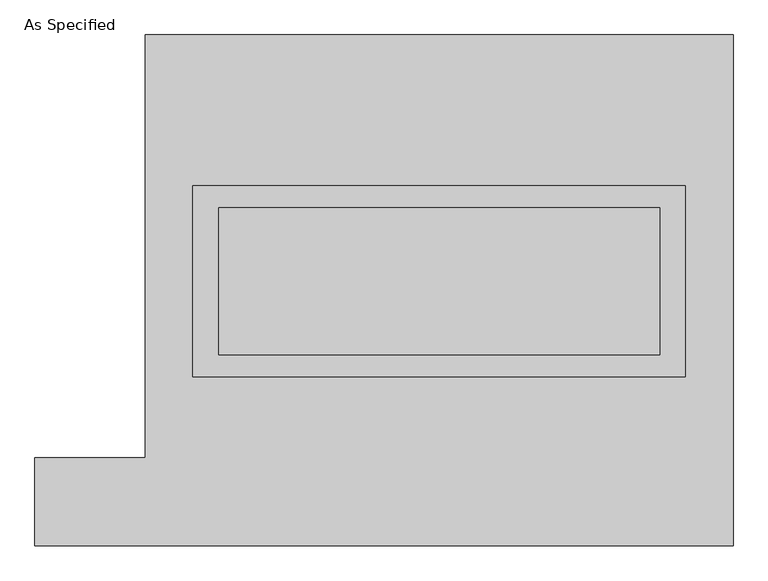
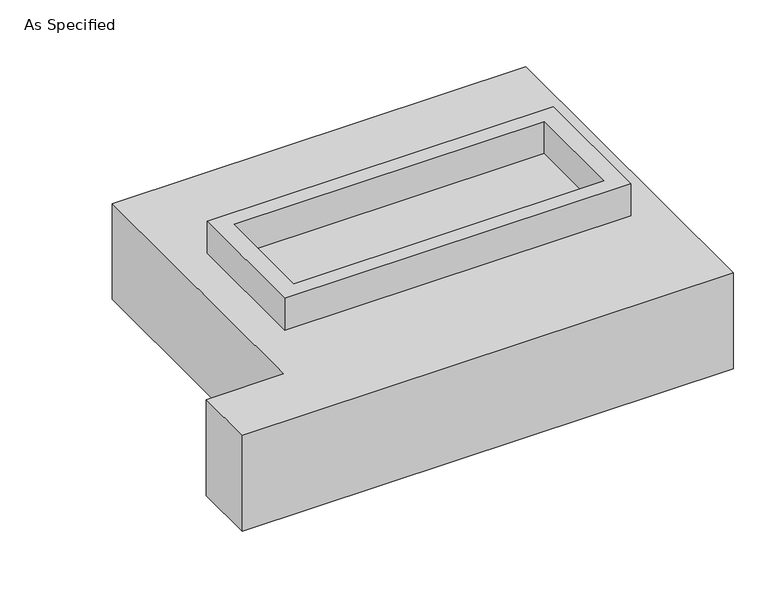
"""IFC4 building model written with IfcOpenShell, lengths in millimetres: proxy geometry, As Specified."""

import ifcopenshell
import ifcopenshell.guid

model = None  # the IFC model being written
_history = None  # IfcOwnerHistory: only IFC2X3 demands one
_inside = {}  # id of a spatial element -> (the spatial element, [elements in it])
_under = {}  # id of a project, library or spatial element -> (it, [spatial elements below it])
_declared = {}  # id of a project -> (the project, [libraries it declares])
_typed = {}  # id of a type object -> (the type object, [elements of that type])
_made_of = {}  # id of a material, layer set ... -> (it, [elements and type objects made of it])


def new_model(schema):
    """Start an empty IFC model of exactly this schema.

    Asked for "IFC4X3", IfcOpenShell would pick the latest addendum, in which some entities
    have other attributes; the version numbers below select the first issue.
    IFC2X3 requires an IfcOwnerHistory on every rooted entity: one is made here for all.
    """
    global model, _history
    if schema == "IFC4X3":
        model = ifcopenshell.file(schema_version=(4, 3, 0, 0))
    else:
        model = ifcopenshell.file(schema=schema)
    _inside.clear()
    _under.clear()
    _declared.clear()
    _typed.clear()
    _made_of.clear()
    _history = None
    if model.schema == "IFC2X3":
        org = make("IfcOrganization", Name="unknown")
        user = make(
            "IfcPersonAndOrganization",
            ThePerson=make("IfcPerson", FamilyName="unknown"),
            TheOrganization=org,
        )
        app = make(
            "IfcApplication",
            ApplicationDeveloper=org,
            Version="unknown",
            ApplicationFullName="unknown",
            ApplicationIdentifier="unknown",
        )
        _history = make(
            "IfcOwnerHistory",
            OwningUser=user,
            OwningApplication=app,
            ChangeAction="ADDED",
            CreationDate=0,
        )
    return model


def make(cls, **values):
    """One entity of the class cls with the attributes given. An attribute that is None is left unset."""
    return model.create_entity(
        cls, **{name: value for name, value in values.items() if value is not None}
    )


def rooted(cls, **values):
    """An entity with a GlobalId (a new one), such as an element, a storey or a relation."""
    return make(cls, GlobalId=ifcopenshell.guid.new(), OwnerHistory=_history, **values)


def si_unit(unit_type, name, prefix=None):
    """IfcSIUnit, for example si_unit("LENGTHUNIT", "METRE", prefix="MILLI")."""
    return make("IfcSIUnit", UnitType=unit_type, Prefix=prefix, Name=name)


def assignment(units):
    """IfcUnitAssignment: the units of a project."""
    return None if units is None else make("IfcUnitAssignment", Units=units)


def point(xyz):
    """IfcCartesianPoint."""
    return None if xyz is None else make("IfcCartesianPoint", Coordinates=xyz)


def direction(xyz):
    """IfcDirection."""
    return None if xyz is None else make("IfcDirection", DirectionRatios=xyz)


def frame(location, z_axis=None, x_axis=None):
    """IfcAxis2Placement3D, a coordinate frame: its origin and axes. An axis left out is left unset."""
    return make(
        "IfcAxis2Placement3D",
        Location=point(location),
        Axis=direction(z_axis),
        RefDirection=direction(x_axis),
    )


def origin():
    """The frame at (0, 0, 0) with its axes left unset."""
    return frame((0.0, 0.0, 0.0))


def place(relative_to, where):
    """IfcLocalPlacement: puts the frame where relative to a parent placement (None: the world)."""
    return make(
        "IfcLocalPlacement", PlacementRelTo=relative_to, RelativePlacement=where
    )


def context(
    kind, dimensions, precision=None, world=None, true_north=None, identifier=None
):
    """IfcGeometricRepresentationContext, for example the 3D "Model" context."""
    return make(
        "IfcGeometricRepresentationContext",
        ContextIdentifier=identifier,
        ContextType=kind,
        CoordinateSpaceDimension=dimensions,
        Precision=precision,
        WorldCoordinateSystem=world,
        TrueNorth=true_north,
    )


def project(units=None, contexts=None):
    """IfcProject with its units and contexts."""
    return rooted(
        "IfcProject",
        Name="project",
        RepresentationContexts=contexts,
        UnitsInContext=assignment(units),
    )


def spatial(cls, under=None, at=None, **own):
    """A site, building, storey or space (cls), placed at a placement, below another one or the project."""
    s = rooted(cls, ObjectPlacement=at, **own)
    if under is not None:
        _under.setdefault(under.id(), (under, []))[1].append(s)
    return s


def polyline(points):
    """IfcPolyline through the points."""
    return make("IfcPolyline", Points=[point(p) for p in points])


def outline(outer, holes=None, kind="AREA"):
    """IfcArbitraryClosedProfileDef: a profile drawn as a closed curve; with holes, ...WithVoids."""
    if holes is None:
        return make("IfcArbitraryClosedProfileDef", ProfileType=kind, OuterCurve=outer)
    return make(
        "IfcArbitraryProfileDefWithVoids",
        ProfileType=kind,
        OuterCurve=outer,
        InnerCurves=holes,
    )


def extrude(swept, where, along, depth):
    """IfcExtrudedAreaSolid: the profile swept, set in the frame where, extruded along a direction by depth."""
    return make(
        "IfcExtrudedAreaSolid",
        SweptArea=swept,
        Position=where,
        ExtrudedDirection=direction(along),
        Depth=depth,
    )


def shape(context_of_items, identifier, shape_type, items):
    """IfcShapeRepresentation: the items that make up one representation, for example the "Body"."""
    return make(
        "IfcShapeRepresentation",
        ContextOfItems=context_of_items,
        RepresentationIdentifier=identifier,
        RepresentationType=shape_type,
        Items=items,
    )


def source(mapping_origin, context_of_items, identifier, shape_type, items):
    """IfcRepresentationMap: a shape defined once, which mapped items show again and again."""
    return make(
        "IfcRepresentationMap",
        MappingOrigin=mapping_origin,
        MappedRepresentation=shape(context_of_items, identifier, shape_type, items),
    )


def transform(
    local_origin,
    x_axis=None,
    y_axis=None,
    z_axis=None,
    scale=None,
    scale2=None,
    scale3=None,
    uniform=True,
):
    """IfcCartesianTransformationOperator3D, or its non-uniform kind. x_axis, y_axis, z_axis: its Axis1, 2, 3."""
    if uniform:
        return make(
            "IfcCartesianTransformationOperator3D",
            Axis1=direction(x_axis),
            Axis2=direction(y_axis),
            LocalOrigin=point(local_origin),
            Scale=scale,
            Axis3=direction(z_axis),
        )
    return make(
        "IfcCartesianTransformationOperator3DnonUniform",
        Axis1=direction(x_axis),
        Axis2=direction(y_axis),
        LocalOrigin=point(local_origin),
        Scale=scale,
        Axis3=direction(z_axis),
        Scale2=scale2,
        Scale3=scale3,
    )


def mapped(mapping_source, mapping_target):
    """IfcMappedItem: shows the shape of a source again, moved by a transform."""
    return make(
        "IfcMappedItem", MappingSource=mapping_source, MappingTarget=mapping_target
    )


def made_of(thing, what):
    """Note that an element or type object is made of a material, layer set ...; save() writes the relation."""
    if what is not None:
        _made_of.setdefault(what.id(), (what, []))[1].append(thing)
    return thing


def element(
    cls,
    number,
    at=None,
    inside=None,
    cuts=None,
    type_object=None,
    material=None,
    context=None,
    identifier="Body",
    shape_type=None,
    held_by="IfcProductDefinitionShape",
    body=None,
    shapes=None,
    **own,
):
    """One element of the class cls, such as IfcWall. Its Tag is "e" and its number.

    at: its placement. inside: the storey or other place that contains it. cuts: it is an
    opening in that element (IfcRelVoidsElement). A single representation is given by context,
    identifier, shape_type and body (its items); several are given by shapes. held_by: the class
    of the entity that holds the representations. save() writes the other relations.
    """
    e = rooted(cls, Tag="e%d" % number, ObjectPlacement=at, **own)
    if body is not None:
        shapes = [shape(context, identifier, shape_type, body)]
    if shapes is not None:
        e.Representation = make(held_by, Representations=shapes)
    if inside is not None:
        _inside.setdefault(inside.id(), (inside, []))[1].append(e)
    if cuts is not None:
        rooted(
            "IfcRelVoidsElement", RelatingBuildingElement=cuts, RelatedOpeningElement=e
        )
    if type_object is not None:
        _typed.setdefault(type_object.id(), (type_object, []))[1].append(e)
    return made_of(e, material)


def aggregate(whole, parts):
    """IfcRelAggregates: a whole, such as a stair, and the parts it consists of."""
    return rooted("IfcRelAggregates", RelatingObject=whole, RelatedObjects=parts)


def save(model, path):
    """Write the relations noted so far, then the file.

    IfcRelAggregates (storeys below a building ...), IfcRelContainedInSpatialStructure (elements
    in a storey), IfcRelDefinesByType, IfcRelAssociatesMaterial and IfcRelDeclares: one each for
    every whole, place, type object, material and project.
    """
    for whole, parts in _under.values():
        aggregate(whole, parts)
    for where, things in _inside.values():
        rooted(
            "IfcRelContainedInSpatialStructure",
            RelatedElements=things,
            RelatingStructure=where,
        )
    for kind, things in _typed.values():
        rooted("IfcRelDefinesByType", RelatedObjects=things, RelatingType=kind)
    for what, things in _made_of.values():
        rooted("IfcRelAssociatesMaterial", RelatedObjects=things, RelatingMaterial=what)
    for by, libraries in _declared.values():
        rooted("IfcRelDeclares", RelatingContext=by, RelatedDefinitions=libraries)
    model.write(path)


def as_specified_28267a69(model_context):
    return source(origin(), model_context, "Body", "SweptSolid", [
        extrude(outline(polyline([(850.9, 361.95), (850.9, -298.45), (-850.9, -298.45), (-850.9, 361.95), (850.9, 361.95)]), holes=[polyline([(762.0, 285.75), (-762.0, 285.75), (-762.0, -222.25), (762.0, -222.25), (762.0, 285.75)])]), frame((0.0, 0.0, -688.975), z_axis=(0.0, 0.0, 1.0), x_axis=(1.0, 0.0, 0.0)), (0.0, 0.0, 1.0), 165.1),
        extrude(outline(polyline([(850.9, 361.95), (850.9, -298.45), (-850.9, -298.45), (-850.9, 361.95), (850.9, 361.95)]), holes=[polyline([(762.0, 285.75), (-762.0, 285.75), (-762.0, -222.25), (762.0, -222.25), (762.0, 285.75)])]), frame((0.0, 0.0, -25.4), z_axis=(0.0, 0.0, 1.0), x_axis=(1.0, 0.0, 0.0)), (0.0, 0.0, 1.0), 165.1),
        extrude(outline(polyline([(762.0, 285.75), (762.0, -222.25), (-762.0, -222.25), (-762.0, 285.75), (762.0, 285.75)])), frame((0.0, 0.0, -523.875), z_axis=(0.0, 0.0, 1.0), x_axis=(1.0, 0.0, 0.0)), (0.0, 0.0, 1.0), 4.9609375),
        extrude(outline(polyline([(762.0, 285.75), (762.0, -222.25), (-762.0, -222.25), (-762.0, 285.75), (762.0, 285.75)])), frame((0.0, 0.0, -30.3609375), z_axis=(0.0, 0.0, 1.0), x_axis=(1.0, 0.0, 0.0)), (0.0, 0.0, 1.0), 4.9609375),
        extrude(outline(polyline([(-1016.0, 882.65), (1016.0, 882.65), (1016.0, -882.65), (-1397.0, -882.65), (-1397.0, -577.85), (-1016.0, -577.85), (-1016.0, 882.65)]), holes=[polyline([(-850.9, 361.95), (-850.9, -298.45), (850.9, -298.45), (850.9, 361.95), (-850.9, 361.95)])]), frame((0.0, 0.0, -523.875), z_axis=(0.0, 0.0, 1.0), x_axis=(1.0, 0.0, 0.0)), (0.0, 0.0, 1.0), 498.475),
    ])


if __name__ == "__main__":
    model = new_model("IFC4")
    model_context = context("Model", 3, world=origin())
    ifc_project = project(units=[si_unit("LENGTHUNIT", "METRE", prefix="MILLI")], contexts=[model_context])
    site = spatial("IfcSite", under=ifc_project)
    building = spatial("IfcBuilding", under=site)
    placement = place(None, origin())
    as_specified_shape = as_specified_28267a69(model_context)
    element("IfcBuildingElementProxy", 1, Name="As Specified", ObjectType="As Specified", at=placement, inside=building, context=model_context, shape_type="MappedRepresentation", body=[
        mapped(as_specified_shape, transform((0.0, 0.0, 0.0), x_axis=(1.0, 0.0, 0.0), y_axis=(0.0, 1.0, 0.0), z_axis=(0.0, 0.0, 1.0))),
    ])
    save(model, "model.ifc")
